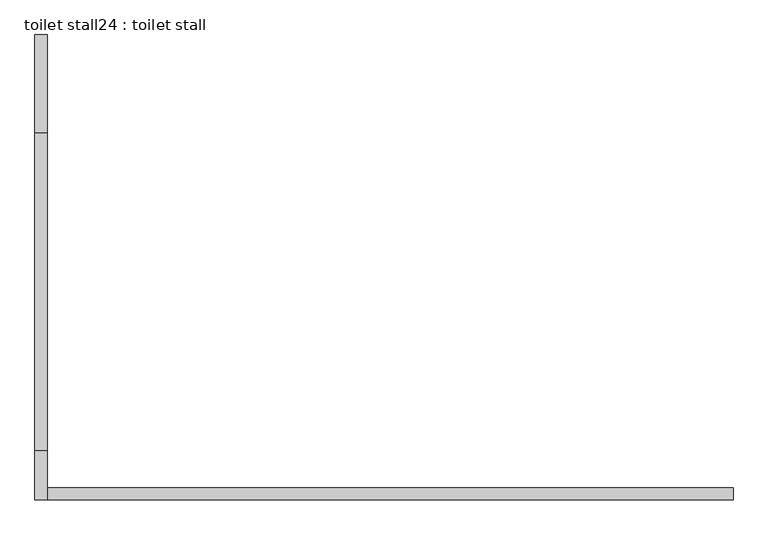
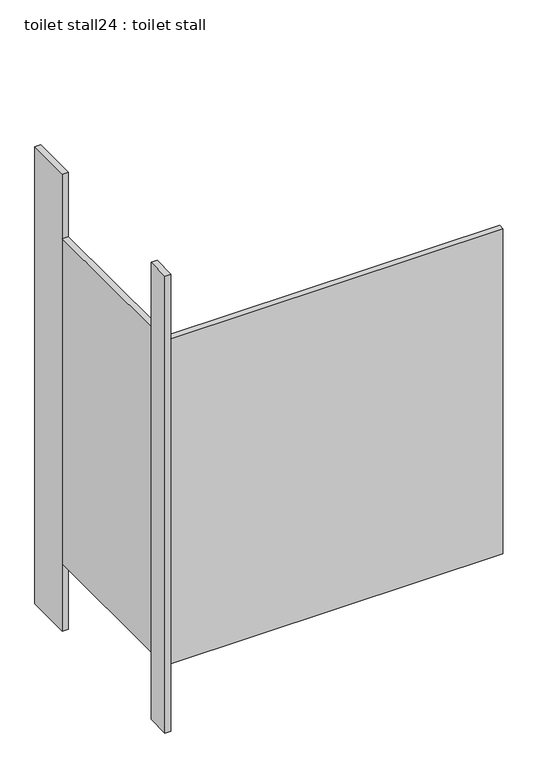
"""IFC4 building model written with IfcOpenShell, lengths in millimetres: proxy geometry, toilet stall24 : toilet stall."""

from ifc_helpers import new_model, si_unit, frame, origin, origin_with_axes, place, context, project, spatial, polyline, outline, extrude, source, transform, mapped, element, save


def toilet_stall24_toilet_stall_0a1800d0(model_context):
    return source(origin(), model_context, "Body", "SweptSolid", [
        extrude(outline(polyline([(454658.2004676, -333259.9205223), (454632.8004676, -333259.9205223), (454632.8004676, -333056.7205223), (454658.2004676, -333056.7205223), (454658.2004676, -333259.9205223)])), origin_with_axes(), (0.0, 0.0, 1.0), 2070.1),
        extrude(outline(polyline([(454658.2004676, -334021.9205223), (454632.8004676, -334021.9205223), (454632.8004676, -333920.3205223), (454658.2004676, -333920.3205223), (454658.2004676, -334021.9205223)])), origin_with_axes(), (0.0, 0.0, 1.0), 2070.1),
        extrude(outline(polyline([(454658.2004676, -334021.9205223), (454658.2004676, -333996.5205223), (456080.6004676, -333996.5205223), (456080.6004676, -334021.9205223), (454658.2004676, -334021.9205223)])), frame((0.0, 0.0, 304.8), z_axis=(0.0, 0.0, 1.0), x_axis=(1.0, 0.0, 0.0)), (0.0, 0.0, 1.0), 1473.2),
        extrude(outline(polyline([(454658.2004676, -333920.3205223), (454632.8004676, -333920.3205223), (454632.8004676, -333259.9205223), (454658.2004676, -333259.9205223), (454658.2004676, -333920.3205223)])), frame((0.0, 0.0, 304.8), z_axis=(0.0, 0.0, 1.0), x_axis=(1.0, 0.0, 0.0)), (0.0, 0.0, 1.0), 1473.2),
    ])


if __name__ == "__main__":
    model = new_model("IFC4")
    model_context = context("Model", 3, world=origin())
    ifc_project = project(units=[si_unit("LENGTHUNIT", "METRE", prefix="MILLI")], contexts=[model_context])
    site = spatial("IfcSite", under=ifc_project)
    building = spatial("IfcBuilding", under=site)
    placement = place(None, origin())
    toilet_stall24_toilet_stall_shape = toilet_stall24_toilet_stall_0a1800d0(model_context)
    element("IfcBuildingElementProxy", 1, Name="toilet stall24 : toilet stall", ObjectType="toilet stall24 : toilet stall", at=placement, inside=building, context=model_context, shape_type="MappedRepresentation", body=[
        mapped(toilet_stall24_toilet_stall_shape, transform((0.0, 0.0, 0.0), x_axis=(1.0, 0.0, 0.0), y_axis=(0.0, 1.0, 0.0), z_axis=(0.0, 0.0, 1.0))),
    ])
    save(model, "model.ifc")
